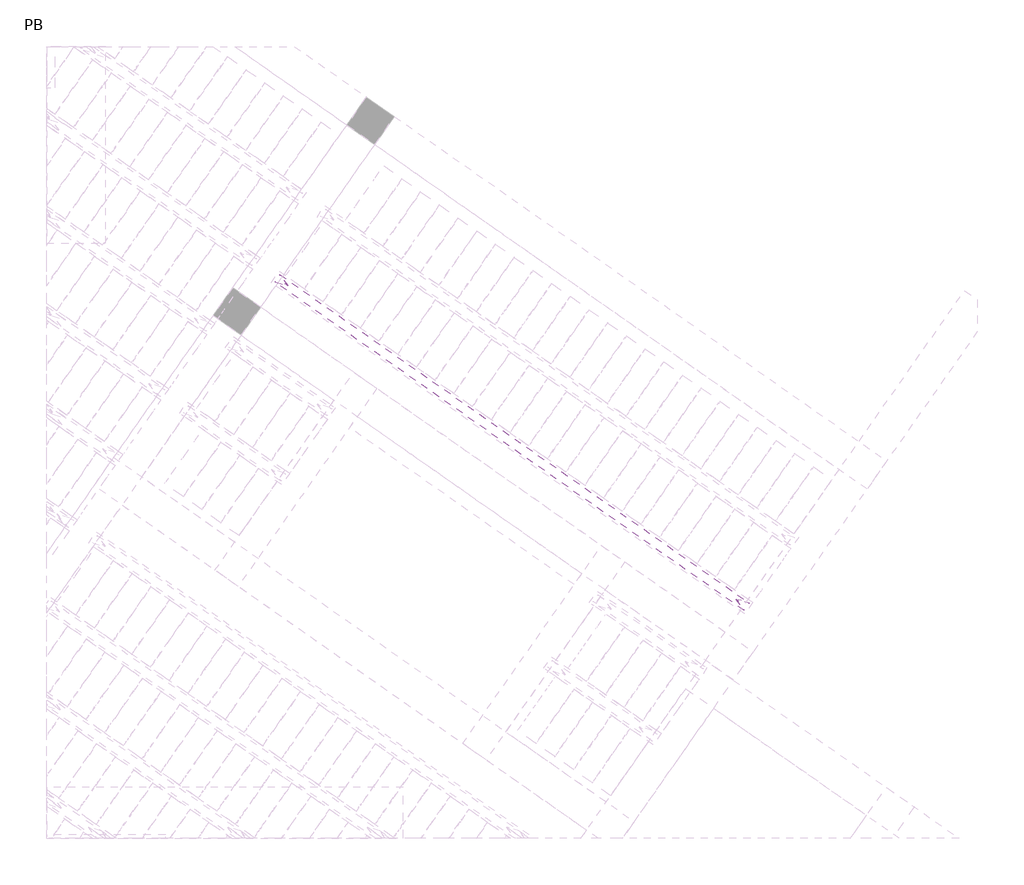
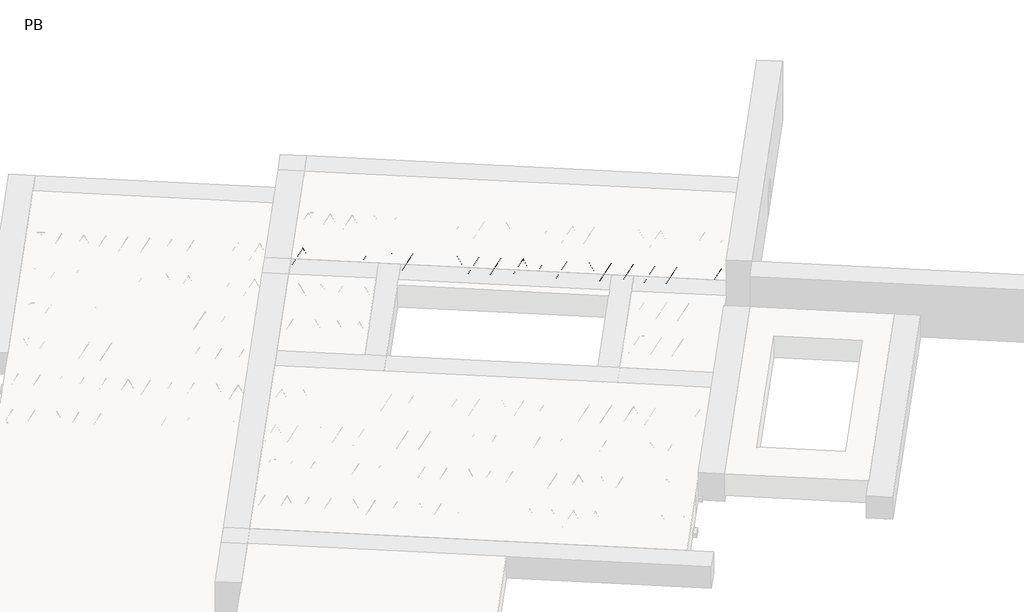
# One storey, part 44 of 56: 1 beam.
"""IFC4 building model written with IfcOpenShell, lengths in millimetres."""

from ifc_helpers import new_model, si_unit, point, frame, origin, origin_2d, place, context, project, spatial, circle_curve, trimmed, segment, composite_curve, outline, extrude, element, save

model = new_model("IFC4")

# Units and contexts
model_context = context("Model", 3, world=origin())
ifc_project = project(units=[si_unit("LENGTHUNIT", "METRE", prefix="MILLI")], contexts=[model_context])

# Site, building, storey
site = spatial("IfcSite", under=ifc_project)
building = spatial("IfcBuilding", under=site)
storey = spatial("IfcBuildingStorey", under=building, Name="PB", Elevation=95940.0)

# Beam
placement = place(None, origin())
element("IfcBeam", 1, at=placement, inside=storey, context=model_context, shape_type="SweptSolid", body=[
    extrude(outline(composite_curve([segment(trimmed(circle_curve(origin_2d(), 2.5), [point((-2.5, 0.0))], [point((2.5, 0.0))], False, "CARTESIAN"), True, "CONTINUOUS"), segment(trimmed(circle_curve(origin_2d(), 2.5), [point((2.5, 0.0))], [point((-2.5, 0.0))], False, "CARTESIAN"), True, "CONTINUOUS")], self_intersect=False)), frame((10273.832997, 4909.2884671, 99245.0), z_axis=(-0.8191520442696126, 0.5735764363787226, 0.0), x_axis=(0.5735764363787226, 0.8191520442696126, 0.0)), (0.0, 0.0, 1.0), 5017.554035),
    extrude(outline(composite_curve([segment(trimmed(circle_curve(origin_2d(), 2.5), [point((-2.5, 0.0))], [point((2.5, 0.0))], False, "CARTESIAN"), True, "CONTINUOUS"), segment(trimmed(circle_curve(origin_2d(), 2.5), [point((2.5, 0.0))], [point((-2.5, 0.0))], False, "CARTESIAN"), True, "CONTINUOUS")], self_intersect=False)), frame((10225.8556336, 4986.8304638, 99470.0), z_axis=(-0.8191520442696126, 0.5735764363787226, 0.0), x_axis=(0.5735764363787226, 0.8191520442696126, 0.0)), (0.0, 0.0, 1.0), 4850.0),
    extrude(outline(composite_curve([segment(trimmed(circle_curve(origin_2d(), 2.5), [point((-2.5000001, 0.0))], [point((2.5, 0.0))], False, "CARTESIAN"), True, "CONTINUOUS"), segment(trimmed(circle_curve(origin_2d(), 2.5), [point((2.5, 0.0))], [point((-2.5000001, 0.0))], False, "CARTESIAN"), True, "CONTINUOUS")], self_intersect=False)), frame((10266.6432853, 4914.3227575, 99245.0), z_axis=(-0.3145304735701046, 0.38933448886848654, 0.8657304643902053), x_axis=(0.7778747638402499, 0.6284193279813057, 0.0)), (0.0, 0.0, 1.0), 259.8961331),
    extrude(outline(composite_curve([segment(trimmed(circle_curve(origin_2d(), 2.5), [point((2.5, -1e-07))], [point((-2.5, 0.0))], False, "CARTESIAN"), True, "CONTINUOUS"), segment(trimmed(circle_curve(origin_2d(), 2.5), [point((-2.5, 0.0))], [point((2.5, -1e-07))], False, "CARTESIAN"), True, "CONTINUOUS")], self_intersect=False)), frame((10061.8552742, 5057.7168666, 99245.0), z_axis=(0.47343050384693375, -0.16240172737369005, 0.8657304643902051), x_axis=(-0.3244721671091268, -0.9458952440791246, 0.0)), (0.0, 0.0, 1.0), 259.8961331),
    extrude(outline(composite_curve([segment(trimmed(circle_curve(origin_2d(), 2.5), [point((-2.5, 0.0))], [point((2.5, 0.0))], False, "CARTESIAN"), True, "CONTINUOUS"), segment(trimmed(circle_curve(origin_2d(), 2.5), [point((2.5, 0.0))], [point((-2.5, 0.0))], False, "CARTESIAN"), True, "CONTINUOUS")], self_intersect=False)), frame((10061.8552742, 5057.7168666, 99245.0), z_axis=(-0.3145304735701046, 0.38933448886848654, 0.8657304643902053), x_axis=(0.7778747638402499, 0.6284193279813057, 0.0)), (0.0, 0.0, 1.0), 259.8961331),
    extrude(outline(composite_curve([segment(trimmed(circle_curve(origin_2d(), 2.5), [point((2.5, 0.0))], [point((-2.5, 0.0))], False, "CARTESIAN"), True, "CONTINUOUS"), segment(trimmed(circle_curve(origin_2d(), 2.5), [point((-2.5, 0.0))], [point((2.5, 0.0))], False, "CARTESIAN"), True, "CONTINUOUS")], self_intersect=False)), frame((9857.0672631, 5201.1109757, 99245.0), z_axis=(0.47343050384693375, -0.16240172737369005, 0.8657304643902051), x_axis=(-0.3244721671091268, -0.9458952440791246, 0.0)), (0.0, 0.0, 1.0), 259.8961331),
    extrude(outline(composite_curve([segment(trimmed(circle_curve(origin_2d(), 2.5), [point((-2.5, -1e-07))], [point((2.5, 0.0))], False, "CARTESIAN"), True, "CONTINUOUS"), segment(trimmed(circle_curve(origin_2d(), 2.5), [point((2.5, 0.0))], [point((-2.5, -1e-07))], False, "CARTESIAN"), True, "CONTINUOUS")], self_intersect=False)), frame((9857.0672631, 5201.1109757, 99245.0), z_axis=(-0.3145304735701046, 0.38933448886848654, 0.8657304643902053), x_axis=(0.7778747638402499, 0.6284193279813057, 0.0)), (0.0, 0.0, 1.0), 259.8961331),
    extrude(outline(composite_curve([segment(trimmed(circle_curve(origin_2d(), 2.5), [point((2.5, 0.0))], [point((-2.5, 0.0))], False, "CARTESIAN"), True, "CONTINUOUS"), segment(trimmed(circle_curve(origin_2d(), 2.5), [point((-2.5, 0.0))], [point((2.5, 0.0))], False, "CARTESIAN"), True, "CONTINUOUS")], self_intersect=False)), frame((9652.279252, 5344.5050848, 99245.0), z_axis=(0.47343050384693375, -0.16240172737369005, 0.8657304643902051), x_axis=(-0.3244721671091268, -0.9458952440791246, 0.0)), (0.0, 0.0, 1.0), 259.8961331),
    extrude(outline(composite_curve([segment(trimmed(circle_curve(origin_2d(), 2.5), [point((-2.5, -1e-07))], [point((2.5, 0.0))], False, "CARTESIAN"), True, "CONTINUOUS"), segment(trimmed(circle_curve(origin_2d(), 2.5), [point((2.5, 0.0))], [point((-2.5, -1e-07))], False, "CARTESIAN"), True, "CONTINUOUS")], self_intersect=False)), frame((9652.279252, 5344.5050848, 99245.0), z_axis=(-0.3145304735701046, 0.38933448886848654, 0.8657304643902053), x_axis=(0.7778747638402499, 0.6284193279813057, 0.0)), (0.0, 0.0, 1.0), 259.8961331),
    extrude(outline(composite_curve([segment(trimmed(circle_curve(origin_2d(), 2.5), [point((2.5000001, 0.0))], [point((-2.5, 0.0))], False, "CARTESIAN"), True, "CONTINUOUS"), segment(trimmed(circle_curve(origin_2d(), 2.5), [point((-2.5, 0.0))], [point((2.5000001, 0.0))], False, "CARTESIAN"), True, "CONTINUOUS")], self_intersect=False)), frame((9447.491241, 5487.8991939, 99245.0), z_axis=(0.47343050384693375, -0.16240172737369005, 0.8657304643902051), x_axis=(-0.3244721671091268, -0.9458952440791246, 0.0)), (0.0, 0.0, 1.0), 259.8961331),
    extrude(outline(composite_curve([segment(trimmed(circle_curve(origin_2d(), 2.5), [point((-2.5, 0.0))], [point((2.5, 0.0))], False, "CARTESIAN"), True, "CONTINUOUS"), segment(trimmed(circle_curve(origin_2d(), 2.5), [point((2.5, 0.0))], [point((-2.5, 0.0))], False, "CARTESIAN"), True, "CONTINUOUS")], self_intersect=False)), frame((9447.4912413, 5487.8991936, 99245.0), z_axis=(-0.3145304735701046, 0.38933448886848654, 0.8657304643902053), x_axis=(0.7778747638402499, 0.6284193279813057, 0.0)), (0.0, 0.0, 1.0), 259.8961331),
    extrude(outline(composite_curve([segment(trimmed(circle_curve(origin_2d(), 2.5), [point((2.5, 0.0))], [point((-2.5, 0.0))], False, "CARTESIAN"), True, "CONTINUOUS"), segment(trimmed(circle_curve(origin_2d(), 2.5), [point((-2.5, 0.0))], [point((2.5, 0.0))], False, "CARTESIAN"), True, "CONTINUOUS")], self_intersect=False)), frame((9242.7032302, 5631.2933027, 99245.0), z_axis=(0.47343050384693375, -0.16240172737369005, 0.8657304643902051), x_axis=(-0.3244721671091268, -0.9458952440791246, 0.0)), (0.0, 0.0, 1.0), 259.8961331),
    extrude(outline(composite_curve([segment(trimmed(circle_curve(origin_2d(), 2.5), [point((-2.5, 0.0))], [point((2.5, 0.0))], False, "CARTESIAN"), True, "CONTINUOUS"), segment(trimmed(circle_curve(origin_2d(), 2.5), [point((2.5, 0.0))], [point((-2.5, 0.0))], False, "CARTESIAN"), True, "CONTINUOUS")], self_intersect=False)), frame((9242.7032302, 5631.2933027, 99245.0), z_axis=(-0.3145304735701046, 0.38933448886848654, 0.8657304643902053), x_axis=(0.7778747638402499, 0.6284193279813057, 0.0)), (0.0, 0.0, 1.0), 259.8961331),
    extrude(outline(composite_curve([segment(trimmed(circle_curve(origin_2d(), 2.5), [point((2.5, -1e-07))], [point((-2.5, 0.0))], False, "CARTESIAN"), True, "CONTINUOUS"), segment(trimmed(circle_curve(origin_2d(), 2.5), [point((-2.5, 0.0))], [point((2.5, -1e-07))], False, "CARTESIAN"), True, "CONTINUOUS")], self_intersect=False)), frame((9037.9152192, 5774.6874118, 99245.0), z_axis=(0.47343050384693375, -0.16240172737369005, 0.8657304643902051), x_axis=(-0.3244721671091268, -0.9458952440791246, 0.0)), (0.0, 0.0, 1.0), 259.8961331),
    extrude(outline(composite_curve([segment(trimmed(circle_curve(origin_2d(), 2.5), [point((-2.5000001, 1e-07))], [point((2.5, 0.0))], False, "CARTESIAN"), True, "CONTINUOUS"), segment(trimmed(circle_curve(origin_2d(), 2.5), [point((2.5, 0.0))], [point((-2.5000001, 1e-07))], False, "CARTESIAN"), True, "CONTINUOUS")], self_intersect=False)), frame((9037.9152192, 5774.6874118, 99245.0), z_axis=(-0.3145304735701046, 0.38933448886848654, 0.8657304643902053), x_axis=(0.7778747638402499, 0.6284193279813057, 0.0)), (0.0, 0.0, 1.0), 259.8961331),
    extrude(outline(composite_curve([segment(trimmed(circle_curve(origin_2d(), 2.5), [point((2.5, 0.0))], [point((-2.5, 0.0))], False, "CARTESIAN"), True, "CONTINUOUS"), segment(trimmed(circle_curve(origin_2d(), 2.5), [point((-2.5, 0.0))], [point((2.5, 0.0))], False, "CARTESIAN"), True, "CONTINUOUS")], self_intersect=False)), frame((8833.1272081, 5918.0815209, 99245.0), z_axis=(0.47343050384693375, -0.16240172737369005, 0.8657304643902051), x_axis=(-0.3244721671091268, -0.9458952440791246, 0.0)), (0.0, 0.0, 1.0), 259.8961331),
    extrude(outline(composite_curve([segment(trimmed(circle_curve(origin_2d(), 2.5), [point((-2.5, 0.0))], [point((2.5, 0.0))], False, "CARTESIAN"), True, "CONTINUOUS"), segment(trimmed(circle_curve(origin_2d(), 2.5), [point((2.5, 0.0))], [point((-2.5, 0.0))], False, "CARTESIAN"), True, "CONTINUOUS")], self_intersect=False)), frame((8833.1272081, 5918.0815209, 99245.0), z_axis=(-0.3145304735701046, 0.38933448886848654, 0.8657304643902053), x_axis=(0.7778747638402499, 0.6284193279813057, 0.0)), (0.0, 0.0, 1.0), 259.8961331),
    extrude(outline(composite_curve([segment(trimmed(circle_curve(origin_2d(), 2.5), [point((2.5, 0.0))], [point((-2.5, 0.0))], False, "CARTESIAN"), True, "CONTINUOUS"), segment(trimmed(circle_curve(origin_2d(), 2.5), [point((-2.5, 0.0))], [point((2.5, 0.0))], False, "CARTESIAN"), True, "CONTINUOUS")], self_intersect=False)), frame((8628.339197, 6061.47563, 99245.0), z_axis=(0.47343050384693375, -0.16240172737369005, 0.8657304643902051), x_axis=(-0.3244721671091268, -0.9458952440791246, 0.0)), (0.0, 0.0, 1.0), 259.8961331),
    extrude(outline(composite_curve([segment(trimmed(circle_curve(origin_2d(), 2.5), [point((-2.5, 0.0))], [point((2.5, 0.0))], False, "CARTESIAN"), True, "CONTINUOUS"), segment(trimmed(circle_curve(origin_2d(), 2.5), [point((2.5, 0.0))], [point((-2.5, 0.0))], False, "CARTESIAN"), True, "CONTINUOUS")], self_intersect=False)), frame((8628.339197, 6061.47563, 99245.0), z_axis=(-0.3145304735701046, 0.38933448886848654, 0.8657304643902053), x_axis=(0.7778747638402499, 0.6284193279813057, 0.0)), (0.0, 0.0, 1.0), 259.8961331),
    extrude(outline(composite_curve([segment(trimmed(circle_curve(origin_2d(), 2.5), [point((2.5, -1e-07))], [point((-2.5, 0.0))], False, "CARTESIAN"), True, "CONTINUOUS"), segment(trimmed(circle_curve(origin_2d(), 2.5), [point((-2.5, 0.0))], [point((2.5, -1e-07))], False, "CARTESIAN"), True, "CONTINUOUS")], self_intersect=False)), frame((8423.551186, 6204.8697391, 99245.0), z_axis=(0.47343050384693375, -0.16240172737369005, 0.8657304643902051), x_axis=(-0.3244721671091268, -0.9458952440791246, 0.0)), (0.0, 0.0, 1.0), 259.8961331),
    extrude(outline(composite_curve([segment(trimmed(circle_curve(origin_2d(), 2.5), [point((-2.5000001, 1e-07))], [point((2.5, 0.0))], False, "CARTESIAN"), True, "CONTINUOUS"), segment(trimmed(circle_curve(origin_2d(), 2.5), [point((2.5, 0.0))], [point((-2.5000001, 1e-07))], False, "CARTESIAN"), True, "CONTINUOUS")], self_intersect=False)), frame((8423.551186, 6204.8697391, 99245.0), z_axis=(-0.3145304735701046, 0.38933448886848654, 0.8657304643902053), x_axis=(0.7778747638402499, 0.6284193279813057, 0.0)), (0.0, 0.0, 1.0), 259.8961331),
    extrude(outline(composite_curve([segment(trimmed(circle_curve(origin_2d(), 2.5), [point((2.5, 0.0))], [point((-2.5, 0.0))], False, "CARTESIAN"), True, "CONTINUOUS"), segment(trimmed(circle_curve(origin_2d(), 2.5), [point((-2.5, 0.0))], [point((2.5, 0.0))], False, "CARTESIAN"), True, "CONTINUOUS")], self_intersect=False)), frame((8218.7631749, 6348.2638482, 99245.0), z_axis=(0.47343050384693375, -0.16240172737369005, 0.8657304643902051), x_axis=(-0.3244721671091268, -0.9458952440791246, 0.0)), (0.0, 0.0, 1.0), 259.8961331),
    extrude(outline(composite_curve([segment(trimmed(circle_curve(origin_2d(), 2.5), [point((-2.5, 0.0))], [point((2.5, 0.0))], False, "CARTESIAN"), True, "CONTINUOUS"), segment(trimmed(circle_curve(origin_2d(), 2.5), [point((2.5, 0.0))], [point((-2.5, 0.0))], False, "CARTESIAN"), True, "CONTINUOUS")], self_intersect=False)), frame((8218.7631749, 6348.2638482, 99245.0), z_axis=(-0.3145304735701046, 0.38933448886848654, 0.8657304643902053), x_axis=(0.7778747638402499, 0.6284193279813057, 0.0)), (0.0, 0.0, 1.0), 259.8961331),
    extrude(outline(composite_curve([segment(trimmed(circle_curve(origin_2d(), 2.5), [point((2.5, 0.0))], [point((-2.5, 0.0))], False, "CARTESIAN"), True, "CONTINUOUS"), segment(trimmed(circle_curve(origin_2d(), 2.5), [point((-2.5, 0.0))], [point((2.5, 0.0))], False, "CARTESIAN"), True, "CONTINUOUS")], self_intersect=False)), frame((8013.9751638, 6491.6579573, 99245.0), z_axis=(0.47343050384693375, -0.16240172737369005, 0.8657304643902051), x_axis=(-0.3244721671091268, -0.9458952440791246, 0.0)), (0.0, 0.0, 1.0), 259.8961331),
    extrude(outline(composite_curve([segment(trimmed(circle_curve(origin_2d(), 2.5), [point((-2.5, 0.0))], [point((2.5, 0.0))], False, "CARTESIAN"), True, "CONTINUOUS"), segment(trimmed(circle_curve(origin_2d(), 2.5), [point((2.5, 0.0))], [point((-2.5, 0.0))], False, "CARTESIAN"), True, "CONTINUOUS")], self_intersect=False)), frame((8013.9751638, 6491.6579573, 99245.0), z_axis=(-0.3145304735701046, 0.38933448886848654, 0.8657304643902053), x_axis=(0.7778747638402499, 0.6284193279813057, 0.0)), (0.0, 0.0, 1.0), 259.8961331),
    extrude(outline(composite_curve([segment(trimmed(circle_curve(origin_2d(), 2.5), [point((2.5, -1e-07))], [point((-2.5, 0.0))], False, "CARTESIAN"), True, "CONTINUOUS"), segment(trimmed(circle_curve(origin_2d(), 2.5), [point((-2.5, 0.0))], [point((2.5, -1e-07))], False, "CARTESIAN"), True, "CONTINUOUS")], self_intersect=False)), frame((7809.1871528, 6635.0520664, 99245.0), z_axis=(0.47343050384693375, -0.16240172737369005, 0.8657304643902051), x_axis=(-0.3244721671091268, -0.9458952440791246, 0.0)), (0.0, 0.0, 1.0), 259.8961331),
    extrude(outline(composite_curve([segment(trimmed(circle_curve(origin_2d(), 2.5), [point((-2.5000001, 1e-07))], [point((2.5, 0.0))], False, "CARTESIAN"), True, "CONTINUOUS"), segment(trimmed(circle_curve(origin_2d(), 2.5), [point((2.5, 0.0))], [point((-2.5000001, 1e-07))], False, "CARTESIAN"), True, "CONTINUOUS")], self_intersect=False)), frame((7809.1871528, 6635.0520664, 99245.0), z_axis=(-0.3145304735701046, 0.38933448886848654, 0.8657304643902053), x_axis=(0.7778747638402499, 0.6284193279813057, 0.0)), (0.0, 0.0, 1.0), 259.8961331),
    extrude(outline(composite_curve([segment(trimmed(circle_curve(origin_2d(), 2.5), [point((2.5, 0.0))], [point((-2.5, 0.0))], False, "CARTESIAN"), True, "CONTINUOUS"), segment(trimmed(circle_curve(origin_2d(), 2.5), [point((-2.5, 0.0))], [point((2.5, 0.0))], False, "CARTESIAN"), True, "CONTINUOUS")], self_intersect=False)), frame((7604.3991417, 6778.4461755, 99245.0), z_axis=(0.47343050384693375, -0.16240172737369005, 0.8657304643902051), x_axis=(-0.3244721671091268, -0.9458952440791246, 0.0)), (0.0, 0.0, 1.0), 259.8961331),
    extrude(outline(composite_curve([segment(trimmed(circle_curve(origin_2d(), 2.5), [point((-2.5, 0.0))], [point((2.5, 0.0))], False, "CARTESIAN"), True, "CONTINUOUS"), segment(trimmed(circle_curve(origin_2d(), 2.5), [point((2.5, 0.0))], [point((-2.5, 0.0))], False, "CARTESIAN"), True, "CONTINUOUS")], self_intersect=False)), frame((7604.3991417, 6778.4461755, 99245.0), z_axis=(-0.3145304735701046, 0.38933448886848654, 0.8657304643902053), x_axis=(0.7778747638402499, 0.6284193279813057, 0.0)), (0.0, 0.0, 1.0), 259.8961331),
    extrude(outline(composite_curve([segment(trimmed(circle_curve(origin_2d(), 2.5), [point((2.5, 0.0))], [point((-2.5, 0.0))], False, "CARTESIAN"), True, "CONTINUOUS"), segment(trimmed(circle_curve(origin_2d(), 2.5), [point((-2.5, 0.0))], [point((2.5, 0.0))], False, "CARTESIAN"), True, "CONTINUOUS")], self_intersect=False)), frame((7399.6111306, 6921.8402846, 99245.0), z_axis=(0.47343050384693375, -0.16240172737369005, 0.8657304643902051), x_axis=(-0.3244721671091268, -0.9458952440791246, 0.0)), (0.0, 0.0, 1.0), 259.8961331),
    extrude(outline(composite_curve([segment(trimmed(circle_curve(origin_2d(), 2.5), [point((-2.5, 0.0))], [point((2.5, 0.0))], False, "CARTESIAN"), True, "CONTINUOUS"), segment(trimmed(circle_curve(origin_2d(), 2.5), [point((2.5, 0.0))], [point((-2.5, 0.0))], False, "CARTESIAN"), True, "CONTINUOUS")], self_intersect=False)), frame((7399.6111306, 6921.8402846, 99245.0), z_axis=(-0.3145304735701046, 0.38933448886848654, 0.8657304643902053), x_axis=(0.7778747638402499, 0.6284193279813057, 0.0)), (0.0, 0.0, 1.0), 259.8961331),
    extrude(outline(composite_curve([segment(trimmed(circle_curve(origin_2d(), 2.5), [point((2.5, -1e-07))], [point((-2.5, 0.0))], False, "CARTESIAN"), True, "CONTINUOUS"), segment(trimmed(circle_curve(origin_2d(), 2.5), [point((-2.5, 0.0))], [point((2.5, -1e-07))], False, "CARTESIAN"), True, "CONTINUOUS")], self_intersect=False)), frame((7194.8231196, 7065.2343937, 99245.0), z_axis=(0.47343050384693375, -0.16240172737369005, 0.8657304643902051), x_axis=(-0.3244721671091268, -0.9458952440791246, 0.0)), (0.0, 0.0, 1.0), 259.8961331),
    extrude(outline(composite_curve([segment(trimmed(circle_curve(origin_2d(), 2.5), [point((-2.5, -1e-07))], [point((2.5000001, -1e-07))], False, "CARTESIAN"), True, "CONTINUOUS"), segment(trimmed(circle_curve(origin_2d(), 2.5), [point((2.5000001, -1e-07))], [point((-2.5, -1e-07))], False, "CARTESIAN"), True, "CONTINUOUS")], self_intersect=False)), frame((7194.8231195, 7065.2343937, 99245.0), z_axis=(-0.3145304735701046, 0.38933448886848654, 0.8657304643902053), x_axis=(0.7778747638402499, 0.6284193279813057, 0.0)), (0.0, 0.0, 1.0), 259.8961331),
    extrude(outline(composite_curve([segment(trimmed(circle_curve(origin_2d(), 2.5), [point((2.5, 0.0))], [point((-2.5, 0.0))], False, "CARTESIAN"), True, "CONTINUOUS"), segment(trimmed(circle_curve(origin_2d(), 2.5), [point((-2.5, 0.0))], [point((2.5, 0.0))], False, "CARTESIAN"), True, "CONTINUOUS")], self_intersect=False)), frame((6990.0351085, 7208.6285028, 99245.0), z_axis=(0.47343050384693375, -0.16240172737369005, 0.8657304643902051), x_axis=(-0.3244721671091268, -0.9458952440791246, 0.0)), (0.0, 0.0, 1.0), 259.8961331),
    extrude(outline(composite_curve([segment(trimmed(circle_curve(origin_2d(), 2.5), [point((-2.5, -1e-07))], [point((2.5, 0.0))], False, "CARTESIAN"), True, "CONTINUOUS"), segment(trimmed(circle_curve(origin_2d(), 2.5), [point((2.5, 0.0))], [point((-2.5, -1e-07))], False, "CARTESIAN"), True, "CONTINUOUS")], self_intersect=False)), frame((6990.0351085, 7208.6285028, 99245.0), z_axis=(-0.3145304735701046, 0.38933448886848654, 0.8657304643902053), x_axis=(0.7778747638402499, 0.6284193279813057, 0.0)), (0.0, 0.0, 1.0), 259.8961331),
    extrude(outline(composite_curve([segment(trimmed(circle_curve(origin_2d(), 2.5), [point((2.5000001, 0.0))], [point((-2.5, 0.0))], False, "CARTESIAN"), True, "CONTINUOUS"), segment(trimmed(circle_curve(origin_2d(), 2.5), [point((-2.5, 0.0))], [point((2.5000001, 0.0))], False, "CARTESIAN"), True, "CONTINUOUS")], self_intersect=False)), frame((6785.2470974, 7352.0226119, 99245.0), z_axis=(0.47343050384693375, -0.16240172737369005, 0.8657304643902051), x_axis=(-0.3244721671091268, -0.9458952440791246, 0.0)), (0.0, 0.0, 1.0), 259.8961331),
    extrude(outline(composite_curve([segment(trimmed(circle_curve(origin_2d(), 2.5), [point((-2.5, -1e-07))], [point((2.5, 0.0))], False, "CARTESIAN"), True, "CONTINUOUS"), segment(trimmed(circle_curve(origin_2d(), 2.5), [point((2.5, 0.0))], [point((-2.5, -1e-07))], False, "CARTESIAN"), True, "CONTINUOUS")], self_intersect=False)), frame((6785.2470974, 7352.0226119, 99245.0), z_axis=(-0.3145304735701046, 0.38933448886848654, 0.8657304643902053), x_axis=(0.7778747638402499, 0.6284193279813057, 0.0)), (0.0, 0.0, 1.0), 259.8961331),
    extrude(outline(composite_curve([segment(trimmed(circle_curve(origin_2d(), 2.5), [point((2.5000001, 0.0))], [point((-2.5, 1e-07))], False, "CARTESIAN"), True, "CONTINUOUS"), segment(trimmed(circle_curve(origin_2d(), 2.5), [point((-2.5, 1e-07))], [point((2.5000001, 0.0))], False, "CARTESIAN"), True, "CONTINUOUS")], self_intersect=False)), frame((6580.4590863, 7495.416721, 99245.0), z_axis=(0.47343050384693375, -0.16240172737369005, 0.8657304643902051), x_axis=(-0.3244721671091268, -0.9458952440791246, 0.0)), (0.0, 0.0, 1.0), 259.8961331),
    extrude(outline(composite_curve([segment(trimmed(circle_curve(origin_2d(), 2.5), [point((-2.5, -1e-07))], [point((2.5000001, -1e-07))], False, "CARTESIAN"), True, "CONTINUOUS"), segment(trimmed(circle_curve(origin_2d(), 2.5), [point((2.5000001, -1e-07))], [point((-2.5, -1e-07))], False, "CARTESIAN"), True, "CONTINUOUS")], self_intersect=False)), frame((6580.4590863, 7495.416721, 99245.0), z_axis=(-0.3145304735701046, 0.38933448886848654, 0.8657304643902053), x_axis=(0.7778747638402499, 0.6284193279813057, 0.0)), (0.0, 0.0, 1.0), 259.8961331),
    extrude(outline(composite_curve([segment(trimmed(circle_curve(origin_2d(), 2.5), [point((2.5, 0.0))], [point((-2.5000001, 0.0))], False, "CARTESIAN"), True, "CONTINUOUS"), segment(trimmed(circle_curve(origin_2d(), 2.5), [point((-2.5000001, 0.0))], [point((2.5, 0.0))], False, "CARTESIAN"), True, "CONTINUOUS")], self_intersect=False)), frame((6375.6710753, 7638.81083, 99245.0), z_axis=(0.47343050384693375, -0.16240172737369005, 0.8657304643902051), x_axis=(-0.3244721671091268, -0.9458952440791246, 0.0)), (0.0, 0.0, 1.0), 259.8961331),
    extrude(outline(composite_curve([segment(trimmed(circle_curve(origin_2d(), 2.5), [point((-2.5, 0.0))], [point((2.5, 1e-07))], False, "CARTESIAN"), True, "CONTINUOUS"), segment(trimmed(circle_curve(origin_2d(), 2.5), [point((2.5, 1e-07))], [point((-2.5, 0.0))], False, "CARTESIAN"), True, "CONTINUOUS")], self_intersect=False)), frame((6375.6710753, 7638.81083, 99245.0), z_axis=(-0.3145304735701046, 0.38933448886848654, 0.8657304643902053), x_axis=(0.7778747638402499, 0.6284193279813057, 0.0)), (0.0, 0.0, 1.0), 259.8961331),
    extrude(outline(composite_curve([segment(trimmed(circle_curve(origin_2d(), 2.5), [point((2.5, 0.0))], [point((-2.5000001, 0.0))], False, "CARTESIAN"), True, "CONTINUOUS"), segment(trimmed(circle_curve(origin_2d(), 2.5), [point((-2.5000001, 0.0))], [point((2.5, 0.0))], False, "CARTESIAN"), True, "CONTINUOUS")], self_intersect=False)), frame((6170.8830642, 7782.2049391, 99245.0), z_axis=(0.47343050384693375, -0.16240172737369005, 0.8657304643902051), x_axis=(-0.3244721671091268, -0.9458952440791246, 0.0)), (0.0, 0.0, 1.0), 259.8961331),
    extrude(outline(composite_curve([segment(trimmed(circle_curve(origin_2d(), 2.5), [point((-2.5, 0.0))], [point((2.5, 0.0))], False, "CARTESIAN"), True, "CONTINUOUS"), segment(trimmed(circle_curve(origin_2d(), 2.5), [point((2.5, 0.0))], [point((-2.5, 0.0))], False, "CARTESIAN"), True, "CONTINUOUS")], self_intersect=False)), frame((10315.1305004, 4968.2674143, 99245.0), z_axis=(-0.8191520442696126, 0.5735764363787226, 0.0), x_axis=(0.5735764363787226, 0.8191520442696126, 0.0)), (0.0, 0.0, 1.0), 5017.554035),
    extrude(outline(composite_curve([segment(trimmed(circle_curve(origin_2d(), 2.5), [point((-2.5000001, 0.0))], [point((2.5, 0.0))], False, "CARTESIAN"), True, "CONTINUOUS"), segment(trimmed(circle_curve(origin_2d(), 2.5), [point((2.5, 0.0))], [point((-2.5000001, 0.0))], False, "CARTESIAN"), True, "CONTINUOUS")], self_intersect=False)), frame((10307.9407887, 4973.3017047, 99245.0), z_axis=(-0.47343050384693375, 0.16240172737369005, 0.8657304643902051), x_axis=(0.3244721671091268, 0.9458952440791246, 0.0)), (0.0, 0.0, 1.0), 259.8961331),
    extrude(outline(composite_curve([segment(trimmed(circle_curve(origin_2d(), 2.5), [point((2.5, 1e-07))], [point((-2.5, 0.0))], False, "CARTESIAN"), True, "CONTINUOUS"), segment(trimmed(circle_curve(origin_2d(), 2.5), [point((-2.5, 0.0))], [point((2.5, 1e-07))], False, "CARTESIAN"), True, "CONTINUOUS")], self_intersect=False)), frame((10103.1527776, 5116.6958138, 99245.0), z_axis=(0.3145304735701046, -0.38933448886848654, 0.8657304643902053), x_axis=(-0.7778747638402499, -0.6284193279813057, 0.0)), (0.0, 0.0, 1.0), 259.8961331),
    extrude(outline(composite_curve([segment(trimmed(circle_curve(origin_2d(), 2.5), [point((-2.5000001, 0.0))], [point((2.5, 0.0))], False, "CARTESIAN"), True, "CONTINUOUS"), segment(trimmed(circle_curve(origin_2d(), 2.5), [point((2.5, 0.0))], [point((-2.5000001, 0.0))], False, "CARTESIAN"), True, "CONTINUOUS")], self_intersect=False)), frame((10103.1527776, 5116.6958138, 99245.0), z_axis=(-0.47343050384693375, 0.16240172737369005, 0.8657304643902051), x_axis=(0.3244721671091268, 0.9458952440791246, 0.0)), (0.0, 0.0, 1.0), 259.8961331),
    extrude(outline(composite_curve([segment(trimmed(circle_curve(origin_2d(), 2.5), [point((2.5, 1e-07))], [point((-2.5, 0.0))], False, "CARTESIAN"), True, "CONTINUOUS"), segment(trimmed(circle_curve(origin_2d(), 2.5), [point((-2.5, 0.0))], [point((2.5, 1e-07))], False, "CARTESIAN"), True, "CONTINUOUS")], self_intersect=False)), frame((9898.3647665, 5260.0899229, 99245.0), z_axis=(0.3145304735701046, -0.38933448886848654, 0.8657304643902053), x_axis=(-0.7778747638402499, -0.6284193279813057, 0.0)), (0.0, 0.0, 1.0), 259.8961331),
    extrude(outline(composite_curve([segment(trimmed(circle_curve(origin_2d(), 2.5), [point((-2.5000001, 0.0))], [point((2.5, 0.0))], False, "CARTESIAN"), True, "CONTINUOUS"), segment(trimmed(circle_curve(origin_2d(), 2.5), [point((2.5, 0.0))], [point((-2.5000001, 0.0))], False, "CARTESIAN"), True, "CONTINUOUS")], self_intersect=False)), frame((9898.3647665, 5260.0899229, 99245.0), z_axis=(-0.47343050384693375, 0.16240172737369005, 0.8657304643902051), x_axis=(0.3244721671091268, 0.9458952440791246, 0.0)), (0.0, 0.0, 1.0), 259.8961331),
    extrude(outline(composite_curve([segment(trimmed(circle_curve(origin_2d(), 2.5), [point((2.5, 0.0))], [point((-2.5000001, 0.0))], False, "CARTESIAN"), True, "CONTINUOUS"), segment(trimmed(circle_curve(origin_2d(), 2.5), [point((-2.5000001, 0.0))], [point((2.5, 0.0))], False, "CARTESIAN"), True, "CONTINUOUS")], self_intersect=False)), frame((9693.5767554, 5403.4840319, 99245.0), z_axis=(0.3145304735701046, -0.38933448886848654, 0.8657304643902053), x_axis=(-0.7778747638402499, -0.6284193279813057, 0.0)), (0.0, 0.0, 1.0), 259.8961331),
    extrude(outline(composite_curve([segment(trimmed(circle_curve(origin_2d(), 2.5), [point((-2.5, 0.0))], [point((2.5000001, 0.0))], False, "CARTESIAN"), True, "CONTINUOUS"), segment(trimmed(circle_curve(origin_2d(), 2.5), [point((2.5000001, 0.0))], [point((-2.5, 0.0))], False, "CARTESIAN"), True, "CONTINUOUS")], self_intersect=False)), frame((9693.5767554, 5403.4840319, 99245.0), z_axis=(-0.47343050384693375, 0.16240172737369005, 0.8657304643902051), x_axis=(0.3244721671091268, 0.9458952440791246, 0.0)), (0.0, 0.0, 1.0), 259.8961331),
    extrude(outline(composite_curve([segment(trimmed(circle_curve(origin_2d(), 2.5), [point((2.5, 0.0))], [point((-2.5, -1e-07))], False, "CARTESIAN"), True, "CONTINUOUS"), segment(trimmed(circle_curve(origin_2d(), 2.5), [point((-2.5, -1e-07))], [point((2.5, 0.0))], False, "CARTESIAN"), True, "CONTINUOUS")], self_intersect=False)), frame((9488.7887444, 5546.878141, 99245.0), z_axis=(0.3145304735701046, -0.38933448886848654, 0.8657304643902053), x_axis=(-0.7778747638402499, -0.6284193279813057, 0.0)), (0.0, 0.0, 1.0), 259.8961331),
    extrude(outline(composite_curve([segment(trimmed(circle_curve(origin_2d(), 2.5), [point((-2.5, 0.0))], [point((2.5, 0.0))], False, "CARTESIAN"), True, "CONTINUOUS"), segment(trimmed(circle_curve(origin_2d(), 2.5), [point((2.5, 0.0))], [point((-2.5, 0.0))], False, "CARTESIAN"), True, "CONTINUOUS")], self_intersect=False)), frame((9488.7887447, 5546.8781408, 99245.0), z_axis=(-0.47343050384693375, 0.16240172737369005, 0.8657304643902051), x_axis=(0.3244721671091268, 0.9458952440791246, 0.0)), (0.0, 0.0, 1.0), 259.8961331),
    extrude(outline(composite_curve([segment(trimmed(circle_curve(origin_2d(), 2.5), [point((2.5, 0.0))], [point((-2.5000001, 1e-07))], False, "CARTESIAN"), True, "CONTINUOUS"), segment(trimmed(circle_curve(origin_2d(), 2.5), [point((-2.5000001, 1e-07))], [point((2.5, 0.0))], False, "CARTESIAN"), True, "CONTINUOUS")], self_intersect=False)), frame((9284.0007336, 5690.2722499, 99245.0), z_axis=(0.3145304735701046, -0.38933448886848654, 0.8657304643902053), x_axis=(-0.7778747638402499, -0.6284193279813057, 0.0)), (0.0, 0.0, 1.0), 259.8961331),
    extrude(outline(composite_curve([segment(trimmed(circle_curve(origin_2d(), 2.5), [point((-2.5, 0.0))], [point((2.5, -1e-07))], False, "CARTESIAN"), True, "CONTINUOUS"), segment(trimmed(circle_curve(origin_2d(), 2.5), [point((2.5, -1e-07))], [point((-2.5, 0.0))], False, "CARTESIAN"), True, "CONTINUOUS")], self_intersect=False)), frame((9284.0007336, 5690.2722499, 99245.0), z_axis=(-0.47343050384693375, 0.16240172737369005, 0.8657304643902051), x_axis=(0.3244721671091268, 0.9458952440791246, 0.0)), (0.0, 0.0, 1.0), 259.8961331),
    extrude(outline(composite_curve([segment(trimmed(circle_curve(origin_2d(), 2.5), [point((2.5, 0.0))], [point((-2.5, 0.0))], False, "CARTESIAN"), True, "CONTINUOUS"), segment(trimmed(circle_curve(origin_2d(), 2.5), [point((-2.5, 0.0))], [point((2.5, 0.0))], False, "CARTESIAN"), True, "CONTINUOUS")], self_intersect=False)), frame((9079.2127226, 5833.666359, 99245.0), z_axis=(0.3145304735701046, -0.38933448886848654, 0.8657304643902053), x_axis=(-0.7778747638402499, -0.6284193279813057, 0.0)), (0.0, 0.0, 1.0), 259.8961331),
    extrude(outline(composite_curve([segment(trimmed(circle_curve(origin_2d(), 2.5), [point((-2.5, 0.0))], [point((2.5, 0.0))], False, "CARTESIAN"), True, "CONTINUOUS"), segment(trimmed(circle_curve(origin_2d(), 2.5), [point((2.5, 0.0))], [point((-2.5, 0.0))], False, "CARTESIAN"), True, "CONTINUOUS")], self_intersect=False)), frame((9079.2127226, 5833.666359, 99245.0), z_axis=(-0.47343050384693375, 0.16240172737369005, 0.8657304643902051), x_axis=(0.3244721671091268, 0.9458952440791246, 0.0)), (0.0, 0.0, 1.0), 259.8961331),
    extrude(outline(composite_curve([segment(trimmed(circle_curve(origin_2d(), 2.5), [point((2.5, 0.0))], [point((-2.5, 0.0))], False, "CARTESIAN"), True, "CONTINUOUS"), segment(trimmed(circle_curve(origin_2d(), 2.5), [point((-2.5, 0.0))], [point((2.5, 0.0))], False, "CARTESIAN"), True, "CONTINUOUS")], self_intersect=False)), frame((8874.4247115, 5977.0604681, 99245.0), z_axis=(0.3145304735701046, -0.38933448886848654, 0.8657304643902053), x_axis=(-0.7778747638402499, -0.6284193279813057, 0.0)), (0.0, 0.0, 1.0), 259.8961331),
    extrude(outline(composite_curve([segment(trimmed(circle_curve(origin_2d(), 2.5), [point((-2.5, 0.0))], [point((2.5, 0.0))], False, "CARTESIAN"), True, "CONTINUOUS"), segment(trimmed(circle_curve(origin_2d(), 2.5), [point((2.5, 0.0))], [point((-2.5, 0.0))], False, "CARTESIAN"), True, "CONTINUOUS")], self_intersect=False)), frame((8874.4247115, 5977.0604681, 99245.0), z_axis=(-0.47343050384693375, 0.16240172737369005, 0.8657304643902051), x_axis=(0.3244721671091268, 0.9458952440791246, 0.0)), (0.0, 0.0, 1.0), 259.8961331),
    extrude(outline(composite_curve([segment(trimmed(circle_curve(origin_2d(), 2.5), [point((2.5, 0.0))], [point((-2.5000001, 1e-07))], False, "CARTESIAN"), True, "CONTINUOUS"), segment(trimmed(circle_curve(origin_2d(), 2.5), [point((-2.5000001, 1e-07))], [point((2.5, 0.0))], False, "CARTESIAN"), True, "CONTINUOUS")], self_intersect=False)), frame((8669.6367004, 6120.4545772, 99245.0), z_axis=(0.3145304735701046, -0.38933448886848654, 0.8657304643902053), x_axis=(-0.7778747638402499, -0.6284193279813057, 0.0)), (0.0, 0.0, 1.0), 259.8961331),
    extrude(outline(composite_curve([segment(trimmed(circle_curve(origin_2d(), 2.5), [point((-2.5, 0.0))], [point((2.5, -1e-07))], False, "CARTESIAN"), True, "CONTINUOUS"), segment(trimmed(circle_curve(origin_2d(), 2.5), [point((2.5, -1e-07))], [point((-2.5, 0.0))], False, "CARTESIAN"), True, "CONTINUOUS")], self_intersect=False)), frame((8669.6367004, 6120.4545772, 99245.0), z_axis=(-0.47343050384693375, 0.16240172737369005, 0.8657304643902051), x_axis=(0.3244721671091268, 0.9458952440791246, 0.0)), (0.0, 0.0, 1.0), 259.8961331),
    extrude(outline(composite_curve([segment(trimmed(circle_curve(origin_2d(), 2.5), [point((2.5, 0.0))], [point((-2.5, 0.0))], False, "CARTESIAN"), True, "CONTINUOUS"), segment(trimmed(circle_curve(origin_2d(), 2.5), [point((-2.5, 0.0))], [point((2.5, 0.0))], False, "CARTESIAN"), True, "CONTINUOUS")], self_intersect=False)), frame((8464.8486894, 6263.8486863, 99245.0), z_axis=(0.3145304735701046, -0.38933448886848654, 0.8657304643902053), x_axis=(-0.7778747638402499, -0.6284193279813057, 0.0)), (0.0, 0.0, 1.0), 259.8961331),
    extrude(outline(composite_curve([segment(trimmed(circle_curve(origin_2d(), 2.5), [point((-2.5, 0.0))], [point((2.5, 0.0))], False, "CARTESIAN"), True, "CONTINUOUS"), segment(trimmed(circle_curve(origin_2d(), 2.5), [point((2.5, 0.0))], [point((-2.5, 0.0))], False, "CARTESIAN"), True, "CONTINUOUS")], self_intersect=False)), frame((8464.8486894, 6263.8486863, 99245.0), z_axis=(-0.47343050384693375, 0.16240172737369005, 0.8657304643902051), x_axis=(0.3244721671091268, 0.9458952440791246, 0.0)), (0.0, 0.0, 1.0), 259.8961331),
    extrude(outline(composite_curve([segment(trimmed(circle_curve(origin_2d(), 2.5), [point((2.5, 0.0))], [point((-2.5, 0.0))], False, "CARTESIAN"), True, "CONTINUOUS"), segment(trimmed(circle_curve(origin_2d(), 2.5), [point((-2.5, 0.0))], [point((2.5, 0.0))], False, "CARTESIAN"), True, "CONTINUOUS")], self_intersect=False)), frame((8260.0606783, 6407.2427954, 99245.0), z_axis=(0.3145304735701046, -0.38933448886848654, 0.8657304643902053), x_axis=(-0.7778747638402499, -0.6284193279813057, 0.0)), (0.0, 0.0, 1.0), 259.8961331),
    extrude(outline(composite_curve([segment(trimmed(circle_curve(origin_2d(), 2.5), [point((-2.5, 0.0))], [point((2.5, 0.0))], False, "CARTESIAN"), True, "CONTINUOUS"), segment(trimmed(circle_curve(origin_2d(), 2.5), [point((2.5, 0.0))], [point((-2.5, 0.0))], False, "CARTESIAN"), True, "CONTINUOUS")], self_intersect=False)), frame((8260.0606783, 6407.2427954, 99245.0), z_axis=(-0.47343050384693375, 0.16240172737369005, 0.8657304643902051), x_axis=(0.3244721671091268, 0.9458952440791246, 0.0)), (0.0, 0.0, 1.0), 259.8961331),
    extrude(outline(composite_curve([segment(trimmed(circle_curve(origin_2d(), 2.5), [point((2.5, 0.0))], [point((-2.5, 0.0))], False, "CARTESIAN"), True, "CONTINUOUS"), segment(trimmed(circle_curve(origin_2d(), 2.5), [point((-2.5, 0.0))], [point((2.5, 0.0))], False, "CARTESIAN"), True, "CONTINUOUS")], self_intersect=False)), frame((8055.2726672, 6550.6369045, 99245.0), z_axis=(0.3145304735701046, -0.38933448886848654, 0.8657304643902053), x_axis=(-0.7778747638402499, -0.6284193279813057, 0.0)), (0.0, 0.0, 1.0), 259.8961331),
    extrude(outline(composite_curve([segment(trimmed(circle_curve(origin_2d(), 2.5), [point((-2.5, 0.0))], [point((2.5, -1e-07))], False, "CARTESIAN"), True, "CONTINUOUS"), segment(trimmed(circle_curve(origin_2d(), 2.5), [point((2.5, -1e-07))], [point((-2.5, 0.0))], False, "CARTESIAN"), True, "CONTINUOUS")], self_intersect=False)), frame((8055.2726672, 6550.6369045, 99245.0), z_axis=(-0.47343050384693375, 0.16240172737369005, 0.8657304643902051), x_axis=(0.3244721671091268, 0.9458952440791246, 0.0)), (0.0, 0.0, 1.0), 259.8961331),
    extrude(outline(composite_curve([segment(trimmed(circle_curve(origin_2d(), 2.5), [point((2.5, 1e-07))], [point((-2.5, 0.0))], False, "CARTESIAN"), True, "CONTINUOUS"), segment(trimmed(circle_curve(origin_2d(), 2.5), [point((-2.5, 0.0))], [point((2.5, 1e-07))], False, "CARTESIAN"), True, "CONTINUOUS")], self_intersect=False)), frame((7850.4846562, 6694.0310136, 99245.0), z_axis=(0.3145304735701046, -0.38933448886848654, 0.8657304643902053), x_axis=(-0.7778747638402499, -0.6284193279813057, 0.0)), (0.0, 0.0, 1.0), 259.8961331),
    extrude(outline(composite_curve([segment(trimmed(circle_curve(origin_2d(), 2.5), [point((-2.5, 0.0))], [point((2.5, 0.0))], False, "CARTESIAN"), True, "CONTINUOUS"), segment(trimmed(circle_curve(origin_2d(), 2.5), [point((2.5, 0.0))], [point((-2.5, 0.0))], False, "CARTESIAN"), True, "CONTINUOUS")], self_intersect=False)), frame((7850.4846562, 6694.0310136, 99245.0), z_axis=(-0.47343050384693375, 0.16240172737369005, 0.8657304643902051), x_axis=(0.3244721671091268, 0.9458952440791246, 0.0)), (0.0, 0.0, 1.0), 259.8961331),
    extrude(outline(composite_curve([segment(trimmed(circle_curve(origin_2d(), 2.5), [point((2.5, 1e-07))], [point((-2.5, 0.0))], False, "CARTESIAN"), True, "CONTINUOUS"), segment(trimmed(circle_curve(origin_2d(), 2.5), [point((-2.5, 0.0))], [point((2.5, 1e-07))], False, "CARTESIAN"), True, "CONTINUOUS")], self_intersect=False)), frame((7645.6966451, 6837.4251227, 99245.0), z_axis=(0.3145304735701046, -0.38933448886848654, 0.8657304643902053), x_axis=(-0.7778747638402499, -0.6284193279813057, 0.0)), (0.0, 0.0, 1.0), 259.8961331),
    extrude(outline(composite_curve([segment(trimmed(circle_curve(origin_2d(), 2.5), [point((-2.5, 0.0))], [point((2.5, 0.0))], False, "CARTESIAN"), True, "CONTINUOUS"), segment(trimmed(circle_curve(origin_2d(), 2.5), [point((2.5, 0.0))], [point((-2.5, 0.0))], False, "CARTESIAN"), True, "CONTINUOUS")], self_intersect=False)), frame((7645.6966451, 6837.4251227, 99245.0), z_axis=(-0.47343050384693375, 0.16240172737369005, 0.8657304643902051), x_axis=(0.3244721671091268, 0.9458952440791246, 0.0)), (0.0, 0.0, 1.0), 259.8961331),
    extrude(outline(composite_curve([segment(trimmed(circle_curve(origin_2d(), 2.5), [point((2.5, 1e-07))], [point((-2.5, 0.0))], False, "CARTESIAN"), True, "CONTINUOUS"), segment(trimmed(circle_curve(origin_2d(), 2.5), [point((-2.5, 0.0))], [point((2.5, 1e-07))], False, "CARTESIAN"), True, "CONTINUOUS")], self_intersect=False)), frame((7440.908634, 6980.8192318, 99245.0), z_axis=(0.3145304735701046, -0.38933448886848654, 0.8657304643902053), x_axis=(-0.7778747638402499, -0.6284193279813057, 0.0)), (0.0, 0.0, 1.0), 259.8961331),
    extrude(outline(composite_curve([segment(trimmed(circle_curve(origin_2d(), 2.5), [point((-2.5, 0.0))], [point((2.5, -1e-07))], False, "CARTESIAN"), True, "CONTINUOUS"), segment(trimmed(circle_curve(origin_2d(), 2.5), [point((2.5, -1e-07))], [point((-2.5, 0.0))], False, "CARTESIAN"), True, "CONTINUOUS")], self_intersect=False)), frame((7440.908634, 6980.8192318, 99245.0), z_axis=(-0.47343050384693375, 0.16240172737369005, 0.8657304643902051), x_axis=(0.3244721671091268, 0.9458952440791246, 0.0)), (0.0, 0.0, 1.0), 259.8961331),
    extrude(outline(composite_curve([segment(trimmed(circle_curve(origin_2d(), 2.5), [point((2.5, 1e-07))], [point((-2.5, 0.0))], False, "CARTESIAN"), True, "CONTINUOUS"), segment(trimmed(circle_curve(origin_2d(), 2.5), [point((-2.5, 0.0))], [point((2.5, 1e-07))], False, "CARTESIAN"), True, "CONTINUOUS")], self_intersect=False)), frame((7236.120623, 7124.2133409, 99245.0), z_axis=(0.3145304735701046, -0.38933448886848654, 0.8657304643902053), x_axis=(-0.7778747638402499, -0.6284193279813057, 0.0)), (0.0, 0.0, 1.0), 259.8961331),
    extrude(outline(composite_curve([segment(trimmed(circle_curve(origin_2d(), 2.5), [point((-2.5000001, 0.0))], [point((2.5, 0.0))], False, "CARTESIAN"), True, "CONTINUOUS"), segment(trimmed(circle_curve(origin_2d(), 2.5), [point((2.5, 0.0))], [point((-2.5000001, 0.0))], False, "CARTESIAN"), True, "CONTINUOUS")], self_intersect=False)), frame((7236.120623, 7124.2133409, 99245.0), z_axis=(-0.47343050384693375, 0.16240172737369005, 0.8657304643902051), x_axis=(0.3244721671091268, 0.9458952440791246, 0.0)), (0.0, 0.0, 1.0), 259.8961331),
    extrude(outline(composite_curve([segment(trimmed(circle_curve(origin_2d(), 2.5), [point((2.5, 0.0))], [point((-2.5, -1e-07))], False, "CARTESIAN"), True, "CONTINUOUS"), segment(trimmed(circle_curve(origin_2d(), 2.5), [point((-2.5, -1e-07))], [point((2.5, 0.0))], False, "CARTESIAN"), True, "CONTINUOUS")], self_intersect=False)), frame((7031.3326119, 7267.6074499, 99245.0), z_axis=(0.3145304735701046, -0.38933448886848654, 0.8657304643902053), x_axis=(-0.7778747638402499, -0.6284193279813057, 0.0)), (0.0, 0.0, 1.0), 259.8961331),
    extrude(outline(composite_curve([segment(trimmed(circle_curve(origin_2d(), 2.5), [point((-2.5, 0.0))], [point((2.5000001, 0.0))], False, "CARTESIAN"), True, "CONTINUOUS"), segment(trimmed(circle_curve(origin_2d(), 2.5), [point((2.5000001, 0.0))], [point((-2.5, 0.0))], False, "CARTESIAN"), True, "CONTINUOUS")], self_intersect=False)), frame((7031.3326119, 7267.6074499, 99245.0), z_axis=(-0.47343050384693375, 0.16240172737369005, 0.8657304643902051), x_axis=(0.3244721671091268, 0.9458952440791246, 0.0)), (0.0, 0.0, 1.0), 259.8961331),
    extrude(outline(composite_curve([segment(trimmed(circle_curve(origin_2d(), 2.5), [point((2.5, 0.0))], [point((-2.5, -1e-07))], False, "CARTESIAN"), True, "CONTINUOUS"), segment(trimmed(circle_curve(origin_2d(), 2.5), [point((-2.5, -1e-07))], [point((2.5, 0.0))], False, "CARTESIAN"), True, "CONTINUOUS")], self_intersect=False)), frame((6826.5446008, 7411.001559, 99245.0), z_axis=(0.3145304735701046, -0.38933448886848654, 0.8657304643902053), x_axis=(-0.7778747638402499, -0.6284193279813057, 0.0)), (0.0, 0.0, 1.0), 259.8961331),
    extrude(outline(composite_curve([segment(trimmed(circle_curve(origin_2d(), 2.5), [point((-2.5, 0.0))], [point((2.5000001, 0.0))], False, "CARTESIAN"), True, "CONTINUOUS"), segment(trimmed(circle_curve(origin_2d(), 2.5), [point((2.5000001, 0.0))], [point((-2.5, 0.0))], False, "CARTESIAN"), True, "CONTINUOUS")], self_intersect=False)), frame((6826.5446008, 7411.001559, 99245.0), z_axis=(-0.47343050384693375, 0.16240172737369005, 0.8657304643902051), x_axis=(0.3244721671091268, 0.9458952440791246, 0.0)), (0.0, 0.0, 1.0), 259.8961331),
    extrude(outline(composite_curve([segment(trimmed(circle_curve(origin_2d(), 2.5), [point((2.5, 0.0))], [point((-2.5, -1e-07))], False, "CARTESIAN"), True, "CONTINUOUS"), segment(trimmed(circle_curve(origin_2d(), 2.5), [point((-2.5, -1e-07))], [point((2.5, 0.0))], False, "CARTESIAN"), True, "CONTINUOUS")], self_intersect=False)), frame((6621.7565898, 7554.3956681, 99245.0), z_axis=(0.3145304735701046, -0.38933448886848654, 0.8657304643902053), x_axis=(-0.7778747638402499, -0.6284193279813057, 0.0)), (0.0, 0.0, 1.0), 259.8961331),
    extrude(outline(composite_curve([segment(trimmed(circle_curve(origin_2d(), 2.5), [point((-2.5, 1e-07))], [point((2.5, 0.0))], False, "CARTESIAN"), True, "CONTINUOUS"), segment(trimmed(circle_curve(origin_2d(), 2.5), [point((2.5, 0.0))], [point((-2.5, 1e-07))], False, "CARTESIAN"), True, "CONTINUOUS")], self_intersect=False)), frame((6621.7565898, 7554.3956681, 99245.0), z_axis=(-0.47343050384693375, 0.16240172737369005, 0.8657304643902051), x_axis=(0.3244721671091268, 0.9458952440791246, 0.0)), (0.0, 0.0, 1.0), 259.8961331),
    extrude(outline(composite_curve([segment(trimmed(circle_curve(origin_2d(), 2.5), [point((2.5, 0.0))], [point((-2.5, -1e-07))], False, "CARTESIAN"), True, "CONTINUOUS"), segment(trimmed(circle_curve(origin_2d(), 2.5), [point((-2.5, -1e-07))], [point((2.5, 0.0))], False, "CARTESIAN"), True, "CONTINUOUS")], self_intersect=False)), frame((6416.9685787, 7697.7897772, 99245.0), z_axis=(0.3145304735701046, -0.38933448886848654, 0.8657304643902053), x_axis=(-0.7778747638402499, -0.6284193279813057, 0.0)), (0.0, 0.0, 1.0), 259.8961331),
    extrude(outline(composite_curve([segment(trimmed(circle_curve(origin_2d(), 2.5), [point((-2.5, 0.0))], [point((2.5, 0.0))], False, "CARTESIAN"), True, "CONTINUOUS"), segment(trimmed(circle_curve(origin_2d(), 2.5), [point((2.5, 0.0))], [point((-2.5, 0.0))], False, "CARTESIAN"), True, "CONTINUOUS")], self_intersect=False)), frame((6416.9685787, 7697.7897772, 99245.0), z_axis=(-0.47343050384693375, 0.16240172737369005, 0.8657304643902051), x_axis=(0.3244721671091268, 0.9458952440791246, 0.0)), (0.0, 0.0, 1.0), 259.8961331),
    extrude(outline(composite_curve([segment(trimmed(circle_curve(origin_2d(), 2.5), [point((2.5, 0.0))], [point((-2.5, 0.0))], False, "CARTESIAN"), True, "CONTINUOUS"), segment(trimmed(circle_curve(origin_2d(), 2.5), [point((-2.5, 0.0))], [point((2.5, 0.0))], False, "CARTESIAN"), True, "CONTINUOUS")], self_intersect=False)), frame((6212.1805676, 7841.1838863, 99245.0), z_axis=(0.3145304735701046, -0.38933448886848654, 0.8657304643902053), x_axis=(-0.7778747638402499, -0.6284193279813057, 0.0)), (0.0, 0.0, 1.0), 259.8961331),
])

save(model, "model.ifc")
